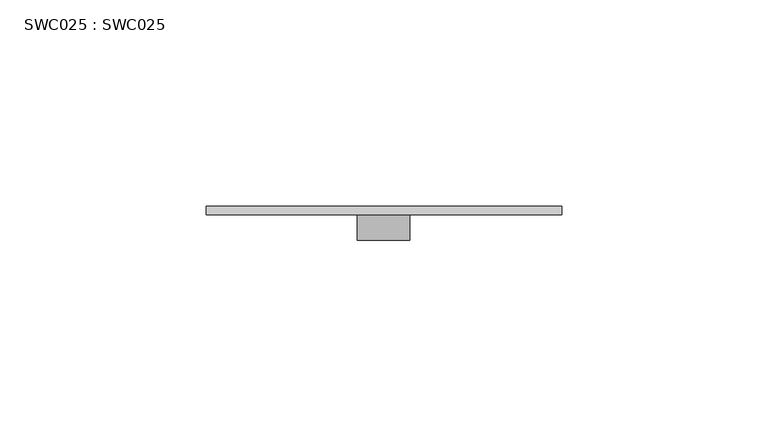
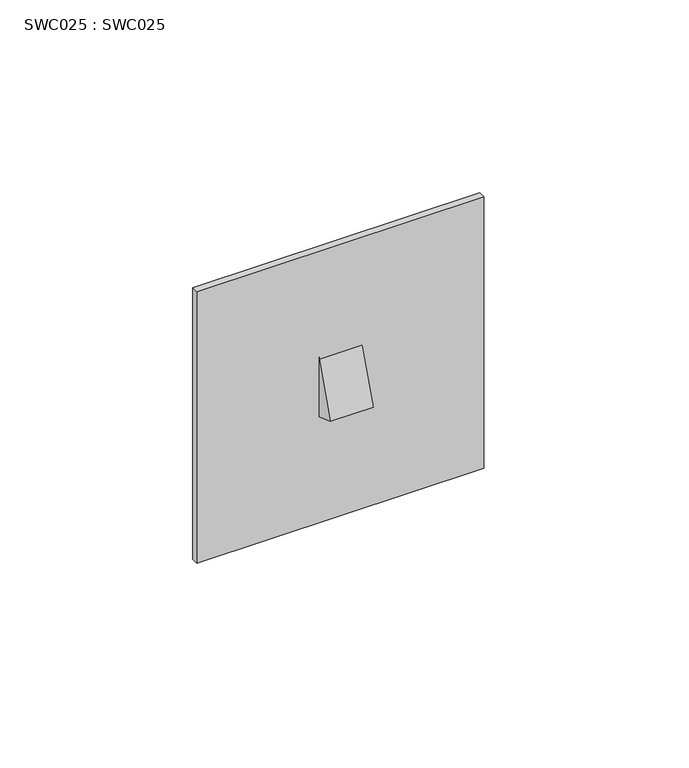
"""IFC4 building model written with IfcOpenShell, lengths in millimetres: proxy geometry, SWC025 : SWC025."""

from ifc_helpers import new_model, si_unit, frame, origin, place, context, project, spatial, polyline, outline, extrude, source, transform, mapped, element, save


def swc025_swc025_584001b3(model_context):
    return source(origin(), model_context, "Body", "SweptSolid", [
        extrude(outline(polyline([(43.0000007, 0.0), (43.0000007, -2.0), (-43.0000007, -2.0), (-43.0000007, 0.0), (43.0000007, 0.0)])), frame((0.0, 0.0, -43.0000007), z_axis=(0.0, 0.0, 1.0), x_axis=(1.0, 0.0, 0.0)), (0.0, 0.0, 1.0), 86.0000014),
        extrude(outline(polyline([(-8.2147782, -7.0749629), (-2.0, 10.0), (-2.0, -9.3369572), (-8.2147782, -7.0749629)])), frame((-6.5024802, 0.0, 0.0), z_axis=(1.0, 0.0, 0.0), x_axis=(0.0, 1.0, 0.0)), (0.0, 0.0, 1.0), 12.7746476),
        extrude(outline(polyline([(43.0000007, 0.0), (43.0000007, -2.0), (-43.0000007, -2.0), (-43.0000007, 0.0), (43.0000007, 0.0)])), frame((0.0, 0.0, -43.0000007), z_axis=(0.0, 0.0, 1.0), x_axis=(1.0, 0.0, 0.0)), (0.0, 0.0, 1.0), 86.0000014),
    ])


if __name__ == "__main__":
    model = new_model("IFC4")
    model_context = context("Model", 3, world=origin())
    ifc_project = project(units=[si_unit("LENGTHUNIT", "METRE", prefix="MILLI")], contexts=[model_context])
    site = spatial("IfcSite", under=ifc_project)
    building = spatial("IfcBuilding", under=site)
    placement = place(None, origin())
    swc025_swc025_shape = swc025_swc025_584001b3(model_context)
    element("IfcBuildingElementProxy", 1, Name="SWC025 : SWC025", ObjectType="SWC025 : SWC025", at=placement, inside=building, context=model_context, shape_type="MappedRepresentation", body=[
        mapped(swc025_swc025_shape, transform((0.0, 0.0, 0.0), x_axis=(1.0, 0.0, 0.0), y_axis=(0.0, 1.0, 0.0), z_axis=(0.0, 0.0, 1.0))),
    ])
    save(model, "model.ifc")
